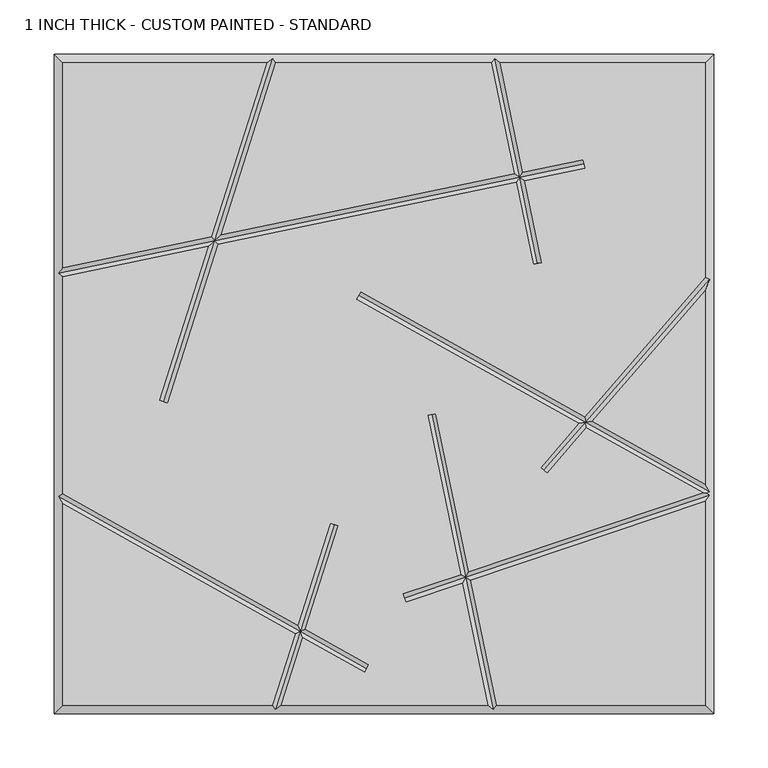
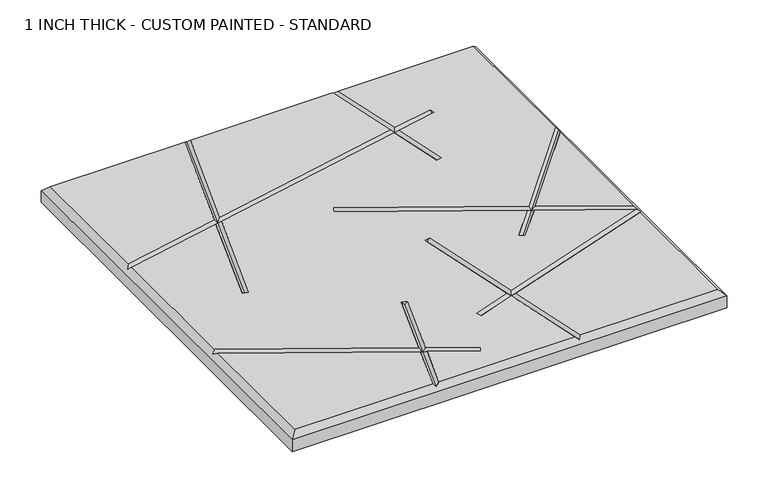
"""IFC4 building model written with IfcOpenShell, lengths in millimetres: proxy geometry, 1 INCH THICK - CUSTOM PAINTED - STANDARD."""

from ifc_helpers import new_model, si_unit, origin, place, context, project, spatial, faceted_brep, source, transform, mapped, element, save


def proxy_1_inch_thick_custom_painted_standard_0b289cf1(model_context):
    return source(origin(), model_context, "Body", "Brep", [
        faceted_brep([(-296.799, 296.799, 25.4), (-296.799, 107.3480638, 25.4), (-159.4586078, 135.8795502, 25.4), (-108.3391886, 296.799, 25.4), (296.799, -296.799, 25.4), (296.799, -108.5119669, 25.4), (80.0538834, -181.4165569, 25.4), (104.0237625, -296.799, 25.4), (-296.799, -110.6534853, 25.4), (-296.799, -296.799, 25.4), (-103.2558195, -296.799, 25.4), (-82.2134891, -230.5595886, 25.4), (184.2546922, 207.2835354, 25.4), (185.8820968, 199.4497907, 25.4), (129.9840642, 187.8373734, 25.4), (145.7029214, 112.1724049, 25.4), (137.8691767, 110.5450004, 25.4), (122.1503195, 186.2099688, 25.4), (-153.2498082, 128.9975577, 25.4), (-199.8388724, -17.6607318, 25.4), (-207.4643565, -15.2383377, 25.4), (-162.2379804, 127.130329, 25.4), (-296.799, 99.1762375, 25.4), (-296.799, -101.4881131, 25.4), (-79.7408339, -222.7758868, 25.4), (-49.8549585, -128.6977715, 25.4), (-42.2294744, -131.1201655, 25.4), (-72.6113646, -226.7596921, 25.4), (-13.9611021, -259.5322889, 25.4), (-17.8639294, -266.516839, 25.4), (-75.0840198, -234.5433938, 25.4), (-94.8608114, -296.799, 25.4), (95.8519362, -296.799, 25.4), (72.4157815, -183.985716, 25.4), (20.0037035, -201.6150916, 25.4), (17.4529106, -194.0315926, 25.4), (70.7766593, -176.0955667, 25.4), (40.2072869, -28.9455186, 25.4), (48.0410316, -27.318114, 25.4), (78.4147612, -173.5264076, 25.4), (294.9653156, -100.6872606, 25.4), (187.1012518, -40.4149733, 25.4), (150.6770336, -82.4732231, 25.4), (144.6288963, -77.2352812, 25.4), (179.9685456, -36.4293593, 25.4), (-25.4958806, 78.3800638, 25.4), (-21.5930534, 85.3646139, 25.4), (185.3175947, -30.2529291, 25.4), (296.799, 98.472217, 25.4), (296.799, 296.799, 25.4), (107.3480638, 296.799, 25.4), (128.3566596, 195.671118, 25.4), (-99.9441805, 296.799, 25.4), (-150.4704356, 137.7467788, 25.4), (120.522915, 194.0437135, 25.4), (99.1762375, 296.799, 25.4), (192.4503009, -34.238543, 25.4), (296.799, -92.5465147, 25.4), (296.799, 86.2506228, 25.4), (-304.8, 304.8, 0.0), (304.8, 304.8, 0.0), (304.8, -304.8, 0.0), (-304.8, -304.8, 0.0), (-304.8, -304.8, 17.399), (-304.8, 304.8, 17.399), (304.8, -304.8, 17.399), (304.8, 304.8, 17.399), (-102.8708423, 300.7995, 21.3995), (102.4310753, 300.7995, 21.3995), (-300.7995, -103.8353996, 21.3995), (-300.7995, 102.4310753, 21.3995), (100.7689247, -300.7995, 21.3995), (-100.3291577, -300.7995, 21.3995), (300.7995, 96.9807099, 21.3995), (300.7995, -99.3646004, 21.3995), (298.0563573, -100.9741346, 24.1426427), (300.7995, -102.9456119, 21.3995), (185.0683945, 203.3666631, 21.3995), (-156.354208, 132.4385539, 21.3995), (125.2534896, 190.9405434, 21.3995), (-203.6516145, -16.4495347, 21.3995), (141.7860491, 111.3587027, 21.3995), (-23.544467, 81.8723389, 21.3995), (186.2094232, -35.3339512, 21.3995), (147.652965, -79.8542522, 21.3995), (18.728307, -197.8233421, 21.3995), (75.4152713, -178.7560618, 21.3995), (-15.9125158, -263.0245639, 21.3995), (-77.4124268, -228.6596403, 21.3995), (-46.0422164, -129.9089685, 21.3995), (44.1241593, -28.1318163, 21.3995)], [[[0, 1, 2, 3]], [[4, 5, 6, 7]], [[8, 9, 10, 11]], [[12, 13, 14, 15, 16, 17, 18, 19, 20, 21, 22, 23, 24, 25, 26, 27, 28, 29, 30, 31, 32, 33, 34, 35, 36, 37, 38, 39, 40, 41, 42, 43, 44, 45, 46, 47, 48, 49, 50, 51]], [[52, 53, 54, 55]], [[56, 57, 58]], [[59, 60, 61, 62]], [[59, 62, 63, 64]], [[62, 61, 65, 63]], [[61, 60, 66, 65]], [[60, 59, 64, 66]], [[64, 0, 3, 67, 52, 55, 68, 50, 49, 66]], [[0, 64, 63, 9, 8, 69, 23, 22, 70, 1]], [[9, 63, 65, 4, 7, 71, 32, 31, 72, 10]], [[66, 49, 48, 73, 58, 57, 74, 75, 76, 5, 4, 65]], [[12, 77, 13]], [[1, 70, 78, 2]], [[77, 12, 51, 79]], [[53, 78, 79, 54]], [[70, 22, 21, 78]], [[13, 77, 79, 14]], [[78, 18, 17, 79]], [[19, 80, 20]], [[80, 19, 18, 78]], [[67, 78, 53, 52]], [[20, 80, 78, 21]], [[78, 67, 3, 2]], [[15, 81, 16]], [[81, 15, 14, 79]], [[68, 79, 51, 50]], [[16, 81, 79, 17]], [[79, 68, 55, 54]], [[45, 82, 46]], [[74, 57, 56, 83]], [[46, 82, 83, 47]], [[82, 45, 44, 83]], [[74, 83, 41, 40, 75]], [[42, 84, 43]], [[84, 42, 41, 83]], [[73, 83, 56, 58]], [[43, 84, 83, 44]], [[83, 73, 48, 47]], [[34, 85, 35]], [[5, 76, 86, 6]], [[85, 34, 33, 86]], [[76, 75, 40, 39, 86]], [[35, 85, 86, 36]], [[28, 87, 29]], [[23, 69, 88, 24]], [[87, 28, 27, 88]], [[69, 8, 11, 88]], [[29, 87, 88, 30]], [[25, 89, 26]], [[89, 25, 24, 88]], [[72, 88, 11, 10]], [[26, 89, 88, 27]], [[88, 72, 31, 30]], [[37, 90, 38]], [[90, 37, 36, 86]], [[71, 86, 33, 32]], [[38, 90, 86, 39]], [[86, 71, 7, 6]]]),
    ])


if __name__ == "__main__":
    model = new_model("IFC4")
    model_context = context("Model", 3, world=origin())
    ifc_project = project(units=[si_unit("LENGTHUNIT", "METRE", prefix="MILLI")], contexts=[model_context])
    site = spatial("IfcSite", under=ifc_project)
    building = spatial("IfcBuilding", under=site)
    placement = place(None, origin())
    proxy_1_inch_thick_custom_painted_standard_shape = proxy_1_inch_thick_custom_painted_standard_0b289cf1(model_context)
    element("IfcBuildingElementProxy", 1, Name="1 INCH THICK - CUSTOM PAINTED - STANDARD", ObjectType="1 INCH THICK - CUSTOM PAINTED - STANDARD", at=placement, inside=building, context=model_context, shape_type="MappedRepresentation", body=[
        mapped(proxy_1_inch_thick_custom_painted_standard_shape, transform((0.0, 0.0, 0.0), x_axis=(1.0, 0.0, 0.0), y_axis=(0.0, 1.0, 0.0), z_axis=(0.0, 0.0, 1.0))),
    ])
    save(model, "model.ifc")
